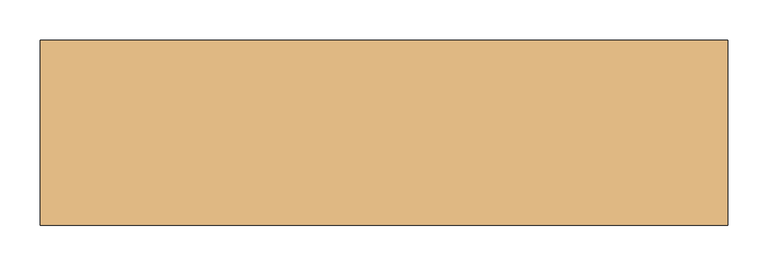
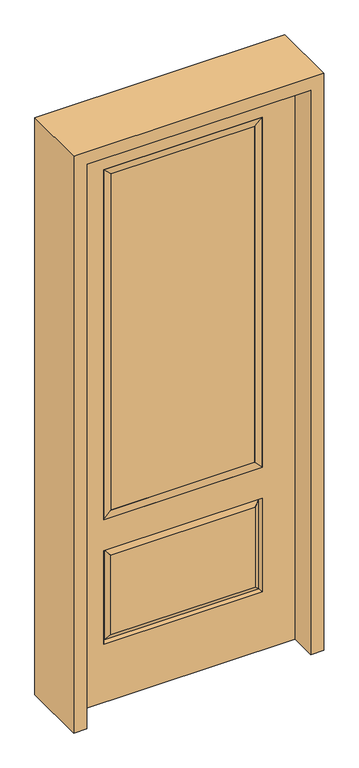
"""IFC4 building model written with IfcOpenShell, lengths in millimetres: door geometry."""

from ifc_helpers import new_model, si_unit, frame, origin, place, context, project, spatial, polyline, outline, extrude, faceted_brep, source, transform, mapped, element, save


def door_00d85e66(model_context):
    return source(origin(), model_context, "Body", "SolidModel", [
        faceted_brep([(-262.7661499, -12.7912373, 216.6588501), (262.7661499, -12.7912373, 216.6588501), (245.26875, -22.225, 234.15625), (-245.26875, -22.225, 234.15625), (-269.875, -22.225, 209.55), (269.875, -22.225, 209.55), (-262.7661499, -12.7912373, 538.9911499), (-269.875, -22.225, 546.1), (245.26875, -22.225, 521.49375), (-245.26875, -22.225, 521.49375), (381.0, -22.225, 2032.0), (-381.0, -22.225, 2032.0), (-381.0, -22.225, 0.0), (381.0, -22.225, 0.0), (269.875, -22.225, 546.1), (269.875, -22.225, 1917.7), (269.875, -22.225, 657.098), (-269.875, -22.225, 657.098), (-269.875, -22.225, 1917.7), (262.7661499, -12.7912373, 538.9911499), (-381.0, 22.225, 2032.0), (-381.0, 22.225, 0.0), (381.0, 22.225, 0.0), (381.0, 22.225, 2032.0), (269.875, 22.225, 1917.7), (269.875, 22.225, 657.098), (-269.875, 22.225, 657.098), (-269.875, 22.225, 1917.7), (-269.875, 22.225, 209.55), (269.875, 22.225, 209.55), (269.875, 22.225, 546.1), (-269.875, 22.225, 546.1), (245.26875, 22.225, 234.15625), (-245.26875, 22.225, 234.15625), (-245.26875, 22.225, 521.49375), (245.26875, 22.225, 521.49375), (-262.7661499, 12.7912373, 216.6588501), (262.7661499, 12.7912373, 216.6588501), (262.7661499, 12.7912373, 538.9911499), (-262.7661499, 12.7912373, 538.9911499)], [[[0, 1, 2, 3]], [[1, 0, 4, 5]], [[4, 0, 6, 7]], [[3, 2, 8, 9]], [[10, 11, 12, 13], [5, 4, 7, 14], [15, 16, 17, 18]], [[1, 5, 14, 19]], [[2, 1, 19, 8]], [[0, 3, 9, 6]], [[7, 6, 19, 14]], [[6, 9, 8, 19]], [[12, 11, 20, 21]], [[13, 12, 21, 22]], [[10, 13, 22, 23]], [[16, 15, 24, 25]], [[17, 16, 25, 26]], [[18, 17, 26, 27]], [[23, 22, 21, 20], [28, 29, 30, 31], [24, 27, 26, 25]], [[32, 33, 34, 35]], [[28, 36, 37, 29]], [[29, 37, 38, 30]], [[39, 31, 30, 38]], [[36, 28, 31, 39]], [[37, 36, 33, 32]], [[33, 36, 39, 34]], [[34, 39, 38, 35]], [[37, 32, 35, 38]], [[11, 10, 23, 20]], [[15, 18, 27, 24]]]),
        faceted_brep([(-269.875, -22.225, 1917.7), (-269.875, 22.225, 1917.7), (-269.875, 22.225, 657.098), (-269.875, -22.225, 657.098), (269.875, 22.225, 657.098), (269.875, -22.225, 657.098), (-244.475, 5.08, 682.498), (244.475, 5.08, 682.498), (269.875, 22.225, 1917.7), (269.875, -22.225, 1917.7), (-244.475, -20.32, 682.498), (244.475, -20.32, 682.498), (-244.475, -20.32, 1892.3), (244.475, -20.32, 1892.3), (-244.475, 5.08, 1892.3), (244.475, 5.08, 1892.3)], [[[0, 1, 2, 3]], [[3, 2, 4, 5]], [[2, 6, 7, 4]], [[5, 4, 8, 9]], [[10, 3, 5, 11]], [[12, 0, 3, 10]], [[11, 5, 9, 13]], [[6, 10, 11, 7]], [[14, 12, 10, 6]], [[7, 11, 13, 15]], [[1, 14, 6, 2]], [[4, 7, 15, 8]], [[9, 8, 1, 0]], [[13, 9, 0, 12]], [[15, 13, 12, 14]], [[8, 15, 14, 1]]]),
        extrude(outline(polyline([(244.475, -20.32), (-244.475, -20.32), (-244.475, 5.08), (244.475, 5.08), (244.475, -20.32)])), frame((0.0, 0.0, 682.498), z_axis=(0.0, 0.0, 1.0), x_axis=(1.0, 0.0, 0.0)), (0.0, 0.0, 1.0), 1209.802),
        extrude(outline(polyline([(2076.45, -425.45), (0.0, -425.45), (0.0, -381.0), (2032.0, -381.0), (2032.0, 381.0), (0.0, 381.0), (0.0, 425.45), (2076.45, 425.45), (2076.45, -425.45)])), frame((0.0, -114.3, 0.0), z_axis=(0.0, 1.0, 0.0), x_axis=(0.0, 0.0, 1.0)), (0.0, 0.0, 1.0), 228.6),
    ])


if __name__ == "__main__":
    model = new_model("IFC4")
    model_context = context("Model", 3, world=origin())
    ifc_project = project(units=[si_unit("LENGTHUNIT", "METRE", prefix="MILLI")], contexts=[model_context])
    site = spatial("IfcSite", under=ifc_project)
    building = spatial("IfcBuilding", under=site)
    placement = place(None, origin())
    door_shape = door_00d85e66(model_context)
    element("IfcDoor", 1, at=placement, inside=building, context=model_context, shape_type="MappedRepresentation", body=[
        mapped(door_shape, transform((0.0, 0.0, 0.0), x_axis=(1.0, 0.0, 0.0), y_axis=(0.0, 1.0, 0.0), z_axis=(0.0, 0.0, 1.0))),
    ])
    save(model, "model.ifc")
